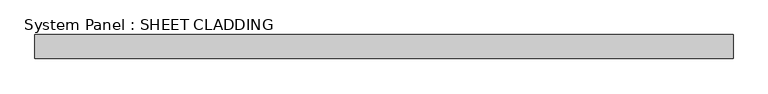
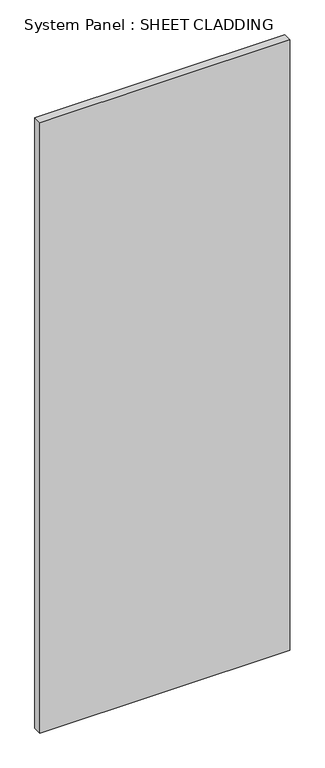
"""IFC4 building model written with IfcOpenShell, lengths in millimetres: plate geometry, System Panel : SHEET CLADDING."""

import ifcopenshell
import ifcopenshell.guid

model = None  # the IFC model being written
_history = None  # IfcOwnerHistory: only IFC2X3 demands one
_inside = {}  # id of a spatial element -> (the spatial element, [elements in it])
_under = {}  # id of a project, library or spatial element -> (it, [spatial elements below it])
_declared = {}  # id of a project -> (the project, [libraries it declares])
_typed = {}  # id of a type object -> (the type object, [elements of that type])
_made_of = {}  # id of a material, layer set ... -> (it, [elements and type objects made of it])


def new_model(schema):
    """Start an empty IFC model of exactly this schema.

    Asked for "IFC4X3", IfcOpenShell would pick the latest addendum, in which some entities
    have other attributes; the version numbers below select the first issue.
    IFC2X3 requires an IfcOwnerHistory on every rooted entity: one is made here for all.
    """
    global model, _history
    if schema == "IFC4X3":
        model = ifcopenshell.file(schema_version=(4, 3, 0, 0))
    else:
        model = ifcopenshell.file(schema=schema)
    _inside.clear()
    _under.clear()
    _declared.clear()
    _typed.clear()
    _made_of.clear()
    _history = None
    if model.schema == "IFC2X3":
        org = make("IfcOrganization", Name="unknown")
        user = make(
            "IfcPersonAndOrganization",
            ThePerson=make("IfcPerson", FamilyName="unknown"),
            TheOrganization=org,
        )
        app = make(
            "IfcApplication",
            ApplicationDeveloper=org,
            Version="unknown",
            ApplicationFullName="unknown",
            ApplicationIdentifier="unknown",
        )
        _history = make(
            "IfcOwnerHistory",
            OwningUser=user,
            OwningApplication=app,
            ChangeAction="ADDED",
            CreationDate=0,
        )
    return model


def make(cls, **values):
    """One entity of the class cls with the attributes given. An attribute that is None is left unset."""
    return model.create_entity(
        cls, **{name: value for name, value in values.items() if value is not None}
    )


def rooted(cls, **values):
    """An entity with a GlobalId (a new one), such as an element, a storey or a relation."""
    return make(cls, GlobalId=ifcopenshell.guid.new(), OwnerHistory=_history, **values)


def si_unit(unit_type, name, prefix=None):
    """IfcSIUnit, for example si_unit("LENGTHUNIT", "METRE", prefix="MILLI")."""
    return make("IfcSIUnit", UnitType=unit_type, Prefix=prefix, Name=name)


def assignment(units):
    """IfcUnitAssignment: the units of a project."""
    return None if units is None else make("IfcUnitAssignment", Units=units)


def point(xyz):
    """IfcCartesianPoint."""
    return None if xyz is None else make("IfcCartesianPoint", Coordinates=xyz)


def direction(xyz):
    """IfcDirection."""
    return None if xyz is None else make("IfcDirection", DirectionRatios=xyz)


def frame(location, z_axis=None, x_axis=None):
    """IfcAxis2Placement3D, a coordinate frame: its origin and axes. An axis left out is left unset."""
    return make(
        "IfcAxis2Placement3D",
        Location=point(location),
        Axis=direction(z_axis),
        RefDirection=direction(x_axis),
    )


def origin():
    """The frame at (0, 0, 0) with its axes left unset."""
    return frame((0.0, 0.0, 0.0))


def origin_with_axes():
    """The frame at (0, 0, 0) with the z axis (0, 0, 1) and the x axis (1, 0, 0) written out."""
    return frame((0.0, 0.0, 0.0), z_axis=(0.0, 0.0, 1.0), x_axis=(1.0, 0.0, 0.0))


def place(relative_to, where):
    """IfcLocalPlacement: puts the frame where relative to a parent placement (None: the world)."""
    return make(
        "IfcLocalPlacement", PlacementRelTo=relative_to, RelativePlacement=where
    )


def context(
    kind, dimensions, precision=None, world=None, true_north=None, identifier=None
):
    """IfcGeometricRepresentationContext, for example the 3D "Model" context."""
    return make(
        "IfcGeometricRepresentationContext",
        ContextIdentifier=identifier,
        ContextType=kind,
        CoordinateSpaceDimension=dimensions,
        Precision=precision,
        WorldCoordinateSystem=world,
        TrueNorth=true_north,
    )


def project(units=None, contexts=None):
    """IfcProject with its units and contexts."""
    return rooted(
        "IfcProject",
        Name="project",
        RepresentationContexts=contexts,
        UnitsInContext=assignment(units),
    )


def spatial(cls, under=None, at=None, **own):
    """A site, building, storey or space (cls), placed at a placement, below another one or the project."""
    s = rooted(cls, ObjectPlacement=at, **own)
    if under is not None:
        _under.setdefault(under.id(), (under, []))[1].append(s)
    return s


def polyline(points):
    """IfcPolyline through the points."""
    return make("IfcPolyline", Points=[point(p) for p in points])


def outline(outer, holes=None, kind="AREA"):
    """IfcArbitraryClosedProfileDef: a profile drawn as a closed curve; with holes, ...WithVoids."""
    if holes is None:
        return make("IfcArbitraryClosedProfileDef", ProfileType=kind, OuterCurve=outer)
    return make(
        "IfcArbitraryProfileDefWithVoids",
        ProfileType=kind,
        OuterCurve=outer,
        InnerCurves=holes,
    )


def extrude(swept, where, along, depth):
    """IfcExtrudedAreaSolid: the profile swept, set in the frame where, extruded along a direction by depth."""
    return make(
        "IfcExtrudedAreaSolid",
        SweptArea=swept,
        Position=where,
        ExtrudedDirection=direction(along),
        Depth=depth,
    )


def shape(context_of_items, identifier, shape_type, items):
    """IfcShapeRepresentation: the items that make up one representation, for example the "Body"."""
    return make(
        "IfcShapeRepresentation",
        ContextOfItems=context_of_items,
        RepresentationIdentifier=identifier,
        RepresentationType=shape_type,
        Items=items,
    )


def source(mapping_origin, context_of_items, identifier, shape_type, items):
    """IfcRepresentationMap: a shape defined once, which mapped items show again and again."""
    return make(
        "IfcRepresentationMap",
        MappingOrigin=mapping_origin,
        MappedRepresentation=shape(context_of_items, identifier, shape_type, items),
    )


def transform(
    local_origin,
    x_axis=None,
    y_axis=None,
    z_axis=None,
    scale=None,
    scale2=None,
    scale3=None,
    uniform=True,
):
    """IfcCartesianTransformationOperator3D, or its non-uniform kind. x_axis, y_axis, z_axis: its Axis1, 2, 3."""
    if uniform:
        return make(
            "IfcCartesianTransformationOperator3D",
            Axis1=direction(x_axis),
            Axis2=direction(y_axis),
            LocalOrigin=point(local_origin),
            Scale=scale,
            Axis3=direction(z_axis),
        )
    return make(
        "IfcCartesianTransformationOperator3DnonUniform",
        Axis1=direction(x_axis),
        Axis2=direction(y_axis),
        LocalOrigin=point(local_origin),
        Scale=scale,
        Axis3=direction(z_axis),
        Scale2=scale2,
        Scale3=scale3,
    )


def mapped(mapping_source, mapping_target):
    """IfcMappedItem: shows the shape of a source again, moved by a transform."""
    return make(
        "IfcMappedItem", MappingSource=mapping_source, MappingTarget=mapping_target
    )


def made_of(thing, what):
    """Note that an element or type object is made of a material, layer set ...; save() writes the relation."""
    if what is not None:
        _made_of.setdefault(what.id(), (what, []))[1].append(thing)
    return thing


def element(
    cls,
    number,
    at=None,
    inside=None,
    cuts=None,
    type_object=None,
    material=None,
    context=None,
    identifier="Body",
    shape_type=None,
    held_by="IfcProductDefinitionShape",
    body=None,
    shapes=None,
    **own,
):
    """One element of the class cls, such as IfcWall. Its Tag is "e" and its number.

    at: its placement. inside: the storey or other place that contains it. cuts: it is an
    opening in that element (IfcRelVoidsElement). A single representation is given by context,
    identifier, shape_type and body (its items); several are given by shapes. held_by: the class
    of the entity that holds the representations. save() writes the other relations.
    """
    e = rooted(cls, Tag="e%d" % number, ObjectPlacement=at, **own)
    if body is not None:
        shapes = [shape(context, identifier, shape_type, body)]
    if shapes is not None:
        e.Representation = make(held_by, Representations=shapes)
    if inside is not None:
        _inside.setdefault(inside.id(), (inside, []))[1].append(e)
    if cuts is not None:
        rooted(
            "IfcRelVoidsElement", RelatingBuildingElement=cuts, RelatedOpeningElement=e
        )
    if type_object is not None:
        _typed.setdefault(type_object.id(), (type_object, []))[1].append(e)
    return made_of(e, material)


def aggregate(whole, parts):
    """IfcRelAggregates: a whole, such as a stair, and the parts it consists of."""
    return rooted("IfcRelAggregates", RelatingObject=whole, RelatedObjects=parts)


def save(model, path):
    """Write the relations noted so far, then the file.

    IfcRelAggregates (storeys below a building ...), IfcRelContainedInSpatialStructure (elements
    in a storey), IfcRelDefinesByType, IfcRelAssociatesMaterial and IfcRelDeclares: one each for
    every whole, place, type object, material and project.
    """
    for whole, parts in _under.values():
        aggregate(whole, parts)
    for where, things in _inside.values():
        rooted(
            "IfcRelContainedInSpatialStructure",
            RelatedElements=things,
            RelatingStructure=where,
        )
    for kind, things in _typed.values():
        rooted("IfcRelDefinesByType", RelatedObjects=things, RelatingType=kind)
    for what, things in _made_of.values():
        rooted("IfcRelAssociatesMaterial", RelatedObjects=things, RelatingMaterial=what)
    for by, libraries in _declared.values():
        rooted("IfcRelDeclares", RelatingContext=by, RelatedDefinitions=libraries)
    model.write(path)


def system_panel_sheet_cladding_a06afaa6(model_context):
    return source(origin(), model_context, "Body", "SweptSolid", [
        extrude(outline(polyline([(871.7083333, -10.5), (-871.7083333, -10.5), (-871.7083333, 49.5), (871.7083333, 49.5), (871.7083333, -10.5)])), origin_with_axes(), (0.0, 0.0, 1.0), 4500.0),
    ])


if __name__ == "__main__":
    model = new_model("IFC4")
    model_context = context("Model", 3, world=origin())
    ifc_project = project(units=[si_unit("LENGTHUNIT", "METRE", prefix="MILLI")], contexts=[model_context])
    site = spatial("IfcSite", under=ifc_project)
    building = spatial("IfcBuilding", under=site)
    placement = place(None, origin())
    system_panel_sheet_cladding_shape = system_panel_sheet_cladding_a06afaa6(model_context)
    element("IfcPlate", 1, ObjectType="System Panel : SHEET CLADDING", at=placement, inside=building, context=model_context, shape_type="MappedRepresentation", body=[
        mapped(system_panel_sheet_cladding_shape, transform((0.0, 0.0, 0.0), x_axis=(1.0, 0.0, 0.0), y_axis=(0.0, 1.0, 0.0), z_axis=(0.0, 0.0, 1.0))),
    ])
    save(model, "model.ifc")
